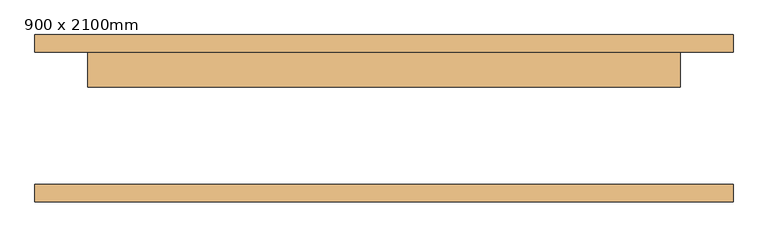
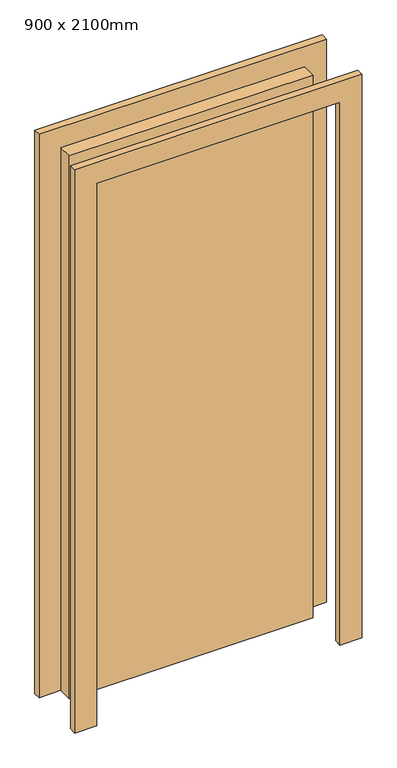
"""IFC4 building model written with IfcOpenShell, lengths in millimetres: door geometry, 900 x 2100mm."""

from ifc_helpers import new_model, si_unit, frame, origin, origin_with_axes, place, context, project, spatial, polyline, outline, extrude, source, transform, mapped, element, save


def door_900_x_2100mm_c078ccea(model_context):
    return source(origin(), model_context, "Body", "SweptSolid", [
        extrude(outline(polyline([(425.0, 45.0), (-425.0, 45.0), (-425.0, 95.0), (425.0, 95.0), (425.0, 45.0)])), origin_with_axes(), (0.0, 0.0, 1.0), 2000.0),
        extrude(outline(polyline([(2076.2, -501.2), (0.0, -501.2), (0.0, -425.0), (2000.0, -425.0), (2000.0, 425.0), (0.0, 425.0), (0.0, 501.2), (2076.2, 501.2), (2076.2, -501.2)])), frame((0.0, 95.0, 0.0), z_axis=(0.0, 1.0, 0.0), x_axis=(0.0, 0.0, 1.0)), (0.0, 0.0, 1.0), 25.0),
        extrude(outline(polyline([(2076.2, 501.2), (2076.2, -501.2), (0.0, -501.2), (0.0, -425.0), (2000.0, -425.0), (2000.0, 425.0), (0.0, 425.0), (0.0, 501.2), (2076.2, 501.2)])), frame((0.0, -120.0, 0.0), z_axis=(0.0, 1.0, 0.0), x_axis=(0.0, 0.0, 1.0)), (0.0, 0.0, 1.0), 25.0),
    ])


if __name__ == "__main__":
    model = new_model("IFC4")
    model_context = context("Model", 3, world=origin())
    ifc_project = project(units=[si_unit("LENGTHUNIT", "METRE", prefix="MILLI")], contexts=[model_context])
    site = spatial("IfcSite", under=ifc_project)
    building = spatial("IfcBuilding", under=site)
    placement = place(None, origin())
    door_900_x_2100mm_shape = door_900_x_2100mm_c078ccea(model_context)
    element("IfcDoor", 1, ObjectType="900 x 2100mm", at=placement, inside=building, context=model_context, shape_type="MappedRepresentation", body=[
        mapped(door_900_x_2100mm_shape, transform((0.0, 0.0, 0.0), x_axis=(1.0, 0.0, 0.0), y_axis=(0.0, 1.0, 0.0), z_axis=(0.0, 0.0, 1.0))),
    ])
    save(model, "model.ifc")
